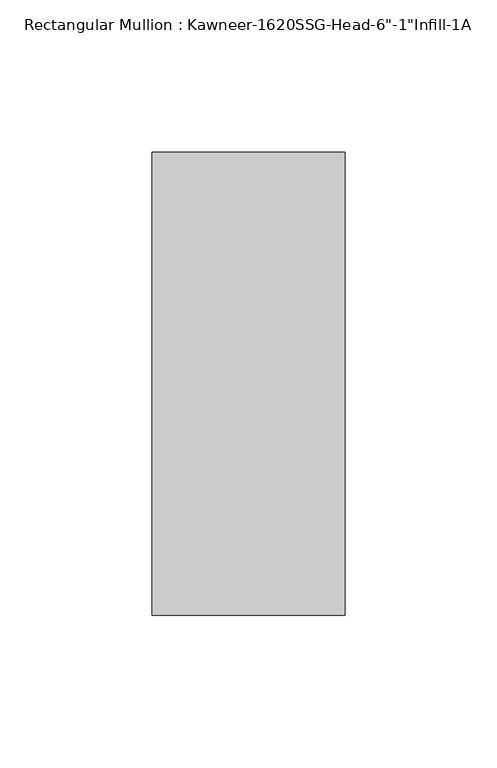
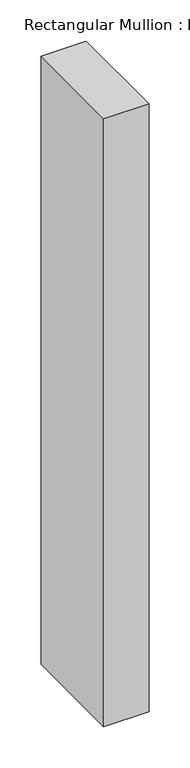
"""IFC4 building model written with IfcOpenShell, lengths in millimetres: member geometry."""

from ifc_helpers import new_model, si_unit, frame, origin, place, context, project, spatial, polyline, outline, extrude, source, transform, mapped, element, save


def member_bcf1f251(model_context):
    return source(origin(), model_context, "Body", "SweptSolid", [
        extrude(outline(polyline([(-22.225, 38.1), (41.275, 38.1), (41.275, -114.3), (-22.225, -114.3), (-22.225, 38.1)])), frame((0.0, 0.0, -901.7), z_axis=(0.0, 0.0, 1.0), x_axis=(1.0, 0.0, 0.0)), (0.0, 0.0, 1.0), 901.7),
    ])


if __name__ == "__main__":
    model = new_model("IFC4")
    model_context = context("Model", 3, world=origin())
    ifc_project = project(units=[si_unit("LENGTHUNIT", "METRE", prefix="MILLI")], contexts=[model_context])
    site = spatial("IfcSite", under=ifc_project)
    building = spatial("IfcBuilding", under=site)
    placement = place(None, origin())
    member_shape = member_bcf1f251(model_context)
    element("IfcMember", 1, ObjectType="Rectangular Mullion : Kawneer-1620SSG-Head-6\"-1\"Infill-1A", at=placement, inside=building, context=model_context, shape_type="MappedRepresentation", body=[
        mapped(member_shape, transform((0.0, 0.0, 0.0), x_axis=(1.0, 0.0, 0.0), y_axis=(0.0, 1.0, 0.0), z_axis=(0.0, 0.0, 1.0))),
    ])
    save(model, "model.ifc")
